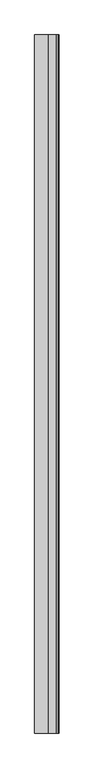
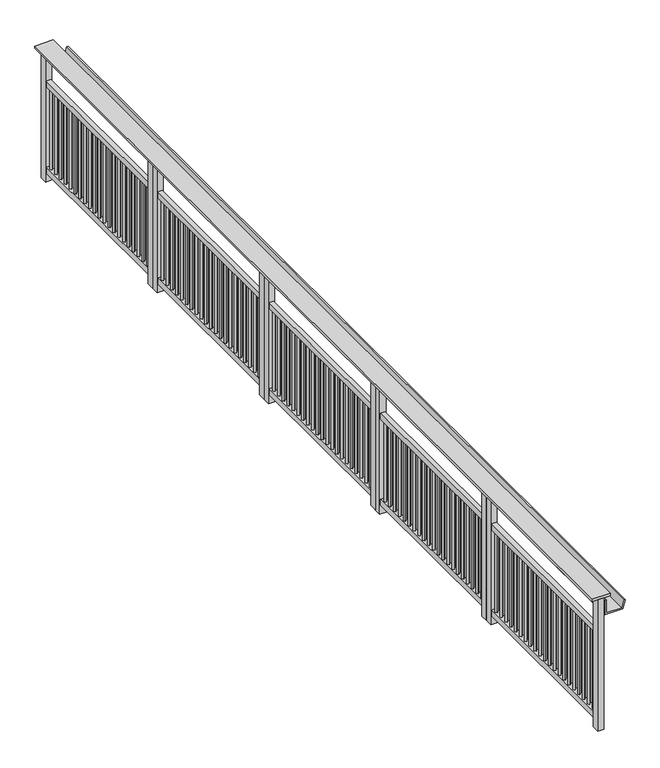
"""IFC4 building model written with IfcOpenShell, lengths in millimetres: railing geometry."""

from ifc_helpers import new_model, si_unit, frame, origin, origin_with_axes, place, context, project, spatial, polyline, outline, extrude, source, transform, mapped, element, save


def railing_9fb504d0(model_context):
    return source(origin(), model_context, "Body", "SweptSolid", [
        extrude(outline(polyline([(-899.4696622, -25760.8033767), (-1019.4696622, -25760.8033767), (-1019.4696622, -19510.8033767), (-899.4696622, -19510.8033767), (-899.4696622, -25760.8033767)])), frame((0.0, 0.0, 899.8828423), z_axis=(0.0, 0.0, 1.0), x_axis=(1.0, 0.0, 0.0)), (0.0, 0.0, 1.0), 15.1171577),
        extrude(outline(polyline([(780.0, -934.4696622), (780.0, -817.2617383), (836.340031, -802.1654725), (838.9282214, -811.8247308), (790.0, -824.9350082), (790.0, -924.4696622), (880.0, -924.4696622), (880.0, -934.4696622), (780.0, -934.4696622)])), frame((0.0, -25760.8033767, 0.0), z_axis=(0.0, 1.0, 0.0), x_axis=(0.0, 0.0, 1.0)), (0.0, 0.0, 1.0), 6250.0),
        extrude(outline(polyline([(-959.4696622, -20690.8026662), (-969.4696622, -20680.8026662), (-959.4696622, -20670.8026662), (-949.4696622, -20680.8026662), (-959.4696622, -20690.8026662)])), frame((0.0, 0.0, 100.0), z_axis=(0.0, 0.0, 1.0), x_axis=(1.0, 0.0, 0.0)), (0.0, 0.0, 1.0), 550.0),
        extrude(outline(polyline([(-959.4696622, -20636.3026662), (-969.4696622, -20626.3026662), (-959.4696622, -20616.3026662), (-949.4696622, -20626.3026662), (-959.4696622, -20636.3026662)])), frame((0.0, 0.0, 100.0), z_axis=(0.0, 0.0, 1.0), x_axis=(1.0, 0.0, 0.0)), (0.0, 0.0, 1.0), 550.0),
        extrude(outline(polyline([(-959.4696622, -20581.8026662), (-969.4696622, -20571.8026662), (-959.4696622, -20561.8026662), (-949.4696622, -20571.8026662), (-959.4696622, -20581.8026662)])), frame((0.0, 0.0, 100.0), z_axis=(0.0, 0.0, 1.0), x_axis=(1.0, 0.0, 0.0)), (0.0, 0.0, 1.0), 550.0),
        extrude(outline(polyline([(-959.4696622, -20527.3026662), (-969.4696622, -20517.3026662), (-959.4696622, -20507.3026662), (-949.4696622, -20517.3026662), (-959.4696622, -20527.3026662)])), frame((0.0, 0.0, 100.0), z_axis=(0.0, 0.0, 1.0), x_axis=(1.0, 0.0, 0.0)), (0.0, 0.0, 1.0), 550.0),
        extrude(outline(polyline([(-959.4696622, -20472.8026662), (-969.4696622, -20462.8026662), (-959.4696622, -20452.8026662), (-949.4696622, -20462.8026662), (-959.4696622, -20472.8026662)])), frame((0.0, 0.0, 100.0), z_axis=(0.0, 0.0, 1.0), x_axis=(1.0, 0.0, 0.0)), (0.0, 0.0, 1.0), 550.0),
        extrude(outline(polyline([(-959.4696622, -20418.3026662), (-969.4696622, -20408.3026662), (-959.4696622, -20398.3026662), (-949.4696622, -20408.3026662), (-959.4696622, -20418.3026662)])), frame((0.0, 0.0, 100.0), z_axis=(0.0, 0.0, 1.0), x_axis=(1.0, 0.0, 0.0)), (0.0, 0.0, 1.0), 550.0),
        extrude(outline(polyline([(-959.4696622, -20363.8026662), (-969.4696622, -20353.8026662), (-959.4696622, -20343.8026662), (-949.4696622, -20353.8026662), (-959.4696622, -20363.8026662)])), frame((0.0, 0.0, 100.0), z_axis=(0.0, 0.0, 1.0), x_axis=(1.0, 0.0, 0.0)), (0.0, 0.0, 1.0), 550.0),
        extrude(outline(polyline([(-959.4696622, -20309.3026662), (-969.4696622, -20299.3026662), (-959.4696622, -20289.3026662), (-949.4696622, -20299.3026662), (-959.4696622, -20309.3026662)])), frame((0.0, 0.0, 100.0), z_axis=(0.0, 0.0, 1.0), x_axis=(1.0, 0.0, 0.0)), (0.0, 0.0, 1.0), 550.0),
        extrude(outline(polyline([(-959.4696622, -20254.8026662), (-969.4696622, -20244.8026662), (-959.4696622, -20234.8026662), (-949.4696622, -20244.8026662), (-959.4696622, -20254.8026662)])), frame((0.0, 0.0, 100.0), z_axis=(0.0, 0.0, 1.0), x_axis=(1.0, 0.0, 0.0)), (0.0, 0.0, 1.0), 550.0),
        extrude(outline(polyline([(-959.4696622, -20200.3026662), (-969.4696622, -20190.3026662), (-959.4696622, -20180.3026662), (-949.4696622, -20190.3026662), (-959.4696622, -20200.3026662)])), frame((0.0, 0.0, 100.0), z_axis=(0.0, 0.0, 1.0), x_axis=(1.0, 0.0, 0.0)), (0.0, 0.0, 1.0), 550.0),
        extrude(outline(polyline([(-959.4696622, -20145.8026662), (-969.4696622, -20135.8026662), (-959.4696622, -20125.8026662), (-949.4696622, -20135.8026662), (-959.4696622, -20145.8026662)])), frame((0.0, 0.0, 100.0), z_axis=(0.0, 0.0, 1.0), x_axis=(1.0, 0.0, 0.0)), (0.0, 0.0, 1.0), 550.0),
        extrude(outline(polyline([(-959.4696622, -20091.3026662), (-969.4696622, -20081.3026662), (-959.4696622, -20071.3026662), (-949.4696622, -20081.3026662), (-959.4696622, -20091.3026662)])), frame((0.0, 0.0, 100.0), z_axis=(0.0, 0.0, 1.0), x_axis=(1.0, 0.0, 0.0)), (0.0, 0.0, 1.0), 550.0),
        extrude(outline(polyline([(-959.4696622, -20036.8026662), (-969.4696622, -20026.8026662), (-959.4696622, -20016.8026662), (-949.4696622, -20026.8026662), (-959.4696622, -20036.8026662)])), frame((0.0, 0.0, 100.0), z_axis=(0.0, 0.0, 1.0), x_axis=(1.0, 0.0, 0.0)), (0.0, 0.0, 1.0), 550.0),
        extrude(outline(polyline([(-959.4696622, -19982.3026662), (-969.4696622, -19972.3026662), (-959.4696622, -19962.3026662), (-949.4696622, -19972.3026662), (-959.4696622, -19982.3026662)])), frame((0.0, 0.0, 100.0), z_axis=(0.0, 0.0, 1.0), x_axis=(1.0, 0.0, 0.0)), (0.0, 0.0, 1.0), 550.0),
        extrude(outline(polyline([(-959.4696622, -19927.8026662), (-969.4696622, -19917.8026662), (-959.4696622, -19907.8026662), (-949.4696622, -19917.8026662), (-959.4696622, -19927.8026662)])), frame((0.0, 0.0, 100.0), z_axis=(0.0, 0.0, 1.0), x_axis=(1.0, 0.0, 0.0)), (0.0, 0.0, 1.0), 550.0),
        extrude(outline(polyline([(-959.4696622, -19873.3026662), (-969.4696622, -19863.3026662), (-959.4696622, -19853.3026662), (-949.4696622, -19863.3026662), (-959.4696622, -19873.3026662)])), frame((0.0, 0.0, 100.0), z_axis=(0.0, 0.0, 1.0), x_axis=(1.0, 0.0, 0.0)), (0.0, 0.0, 1.0), 550.0),
        extrude(outline(polyline([(-959.4696622, -19818.8026662), (-969.4696622, -19808.8026662), (-959.4696622, -19798.8026662), (-949.4696622, -19808.8026662), (-959.4696622, -19818.8026662)])), frame((0.0, 0.0, 100.0), z_axis=(0.0, 0.0, 1.0), x_axis=(1.0, 0.0, 0.0)), (0.0, 0.0, 1.0), 550.0),
        extrude(outline(polyline([(-959.4696622, -19764.3026662), (-969.4696622, -19754.3026662), (-959.4696622, -19744.3026662), (-949.4696622, -19754.3026662), (-959.4696622, -19764.3026662)])), frame((0.0, 0.0, 100.0), z_axis=(0.0, 0.0, 1.0), x_axis=(1.0, 0.0, 0.0)), (0.0, 0.0, 1.0), 550.0),
        extrude(outline(polyline([(-959.4696622, -19709.8026662), (-969.4696622, -19699.8026662), (-959.4696622, -19689.8026662), (-949.4696622, -19699.8026662), (-959.4696622, -19709.8026662)])), frame((0.0, 0.0, 100.0), z_axis=(0.0, 0.0, 1.0), x_axis=(1.0, 0.0, 0.0)), (0.0, 0.0, 1.0), 550.0),
        extrude(outline(polyline([(-959.4696622, -19655.3026662), (-969.4696622, -19645.3026662), (-959.4696622, -19635.3026662), (-949.4696622, -19645.3026662), (-959.4696622, -19655.3026662)])), frame((0.0, 0.0, 100.0), z_axis=(0.0, 0.0, 1.0), x_axis=(1.0, 0.0, 0.0)), (0.0, 0.0, 1.0), 550.0),
        extrude(outline(polyline([(-959.4696622, -19600.8026662), (-969.4696622, -19590.8026662), (-959.4696622, -19580.8026662), (-949.4696622, -19590.8026662), (-959.4696622, -19600.8026662)])), frame((0.0, 0.0, 100.0), z_axis=(0.0, 0.0, 1.0), x_axis=(1.0, 0.0, 0.0)), (0.0, 0.0, 1.0), 550.0),
        extrude(outline(polyline([(-944.4696622, -19560.8033767), (-944.4696622, -20710.8037487), (-974.4696622, -20710.8037487), (-974.4696622, -19560.8033767), (-944.4696622, -19560.8033767)])), frame((0.0, 0.0, 649.9990226), z_axis=(0.0, 0.0, 1.0), x_axis=(1.0, 0.0, 0.0)), (0.0, 0.0, 1.0), 40.0009774),
        extrude(outline(polyline([(-944.4696622, -19560.8033767), (-944.4696622, -20710.8037487), (-974.4696622, -20710.8037487), (-974.4696622, -19560.8033767), (-944.4696622, -19560.8033767)])), frame((0.0, 0.0, 60.0), z_axis=(0.0, 0.0, 1.0), x_axis=(1.0, 0.0, 0.0)), (0.0, 0.0, 1.0), 40.0),
        extrude(outline(polyline([(-939.4696622, -19510.8033767), (-939.4696622, -19560.8033767), (-979.4696622, -19560.8033767), (-979.4696622, -19510.8033767), (-939.4696622, -19510.8033767)])), origin_with_axes(), (0.0, 0.0, 1.0), 900.0),
        extrude(outline(polyline([(-939.4696622, -20710.8030382), (-939.4696622, -20760.8030382), (-979.4696622, -20760.8030382), (-979.4696622, -20710.8030382), (-939.4696622, -20710.8030382)])), origin_with_axes(), (0.0, 0.0, 1.0), 900.0),
        extrude(outline(polyline([(-959.4696622, -21941.8026662), (-969.4696622, -21931.8026662), (-959.4696622, -21921.8026662), (-949.4696622, -21931.8026662), (-959.4696622, -21941.8026662)])), frame((0.0, 0.0, 100.0), z_axis=(0.0, 0.0, 1.0), x_axis=(1.0, 0.0, 0.0)), (0.0, 0.0, 1.0), 550.0),
        extrude(outline(polyline([(-959.4696622, -21887.3026662), (-969.4696622, -21877.3026662), (-959.4696622, -21867.3026662), (-949.4696622, -21877.3026662), (-959.4696622, -21887.3026662)])), frame((0.0, 0.0, 100.0), z_axis=(0.0, 0.0, 1.0), x_axis=(1.0, 0.0, 0.0)), (0.0, 0.0, 1.0), 550.0),
        extrude(outline(polyline([(-959.4696622, -21832.8026662), (-969.4696622, -21822.8026662), (-959.4696622, -21812.8026662), (-949.4696622, -21822.8026662), (-959.4696622, -21832.8026662)])), frame((0.0, 0.0, 100.0), z_axis=(0.0, 0.0, 1.0), x_axis=(1.0, 0.0, 0.0)), (0.0, 0.0, 1.0), 550.0),
        extrude(outline(polyline([(-959.4696622, -21778.3026662), (-969.4696622, -21768.3026662), (-959.4696622, -21758.3026662), (-949.4696622, -21768.3026662), (-959.4696622, -21778.3026662)])), frame((0.0, 0.0, 100.0), z_axis=(0.0, 0.0, 1.0), x_axis=(1.0, 0.0, 0.0)), (0.0, 0.0, 1.0), 550.0),
        extrude(outline(polyline([(-959.4696622, -21723.8026662), (-969.4696622, -21713.8026662), (-959.4696622, -21703.8026662), (-949.4696622, -21713.8026662), (-959.4696622, -21723.8026662)])), frame((0.0, 0.0, 100.0), z_axis=(0.0, 0.0, 1.0), x_axis=(1.0, 0.0, 0.0)), (0.0, 0.0, 1.0), 550.0),
        extrude(outline(polyline([(-959.4696622, -21669.3026662), (-969.4696622, -21659.3026662), (-959.4696622, -21649.3026662), (-949.4696622, -21659.3026662), (-959.4696622, -21669.3026662)])), frame((0.0, 0.0, 100.0), z_axis=(0.0, 0.0, 1.0), x_axis=(1.0, 0.0, 0.0)), (0.0, 0.0, 1.0), 550.0),
        extrude(outline(polyline([(-959.4696622, -21614.8026662), (-969.4696622, -21604.8026662), (-959.4696622, -21594.8026662), (-949.4696622, -21604.8026662), (-959.4696622, -21614.8026662)])), frame((0.0, 0.0, 100.0), z_axis=(0.0, 0.0, 1.0), x_axis=(1.0, 0.0, 0.0)), (0.0, 0.0, 1.0), 550.0),
        extrude(outline(polyline([(-959.4696622, -21560.3026662), (-969.4696622, -21550.3026662), (-959.4696622, -21540.3026662), (-949.4696622, -21550.3026662), (-959.4696622, -21560.3026662)])), frame((0.0, 0.0, 100.0), z_axis=(0.0, 0.0, 1.0), x_axis=(1.0, 0.0, 0.0)), (0.0, 0.0, 1.0), 550.0),
        extrude(outline(polyline([(-959.4696622, -21505.8026662), (-969.4696622, -21495.8026662), (-959.4696622, -21485.8026662), (-949.4696622, -21495.8026662), (-959.4696622, -21505.8026662)])), frame((0.0, 0.0, 100.0), z_axis=(0.0, 0.0, 1.0), x_axis=(1.0, 0.0, 0.0)), (0.0, 0.0, 1.0), 550.0),
        extrude(outline(polyline([(-959.4696622, -21451.3026662), (-969.4696622, -21441.3026662), (-959.4696622, -21431.3026662), (-949.4696622, -21441.3026662), (-959.4696622, -21451.3026662)])), frame((0.0, 0.0, 100.0), z_axis=(0.0, 0.0, 1.0), x_axis=(1.0, 0.0, 0.0)), (0.0, 0.0, 1.0), 550.0),
        extrude(outline(polyline([(-959.4696622, -21396.8026662), (-969.4696622, -21386.8026662), (-959.4696622, -21376.8026662), (-949.4696622, -21386.8026662), (-959.4696622, -21396.8026662)])), frame((0.0, 0.0, 100.0), z_axis=(0.0, 0.0, 1.0), x_axis=(1.0, 0.0, 0.0)), (0.0, 0.0, 1.0), 550.0),
        extrude(outline(polyline([(-959.4696622, -21342.3026662), (-969.4696622, -21332.3026662), (-959.4696622, -21322.3026662), (-949.4696622, -21332.3026662), (-959.4696622, -21342.3026662)])), frame((0.0, 0.0, 100.0), z_axis=(0.0, 0.0, 1.0), x_axis=(1.0, 0.0, 0.0)), (0.0, 0.0, 1.0), 550.0),
        extrude(outline(polyline([(-959.4696622, -21287.8026662), (-969.4696622, -21277.8026662), (-959.4696622, -21267.8026662), (-949.4696622, -21277.8026662), (-959.4696622, -21287.8026662)])), frame((0.0, 0.0, 100.0), z_axis=(0.0, 0.0, 1.0), x_axis=(1.0, 0.0, 0.0)), (0.0, 0.0, 1.0), 550.0),
        extrude(outline(polyline([(-959.4696622, -21233.3026662), (-969.4696622, -21223.3026662), (-959.4696622, -21213.3026662), (-949.4696622, -21223.3026662), (-959.4696622, -21233.3026662)])), frame((0.0, 0.0, 100.0), z_axis=(0.0, 0.0, 1.0), x_axis=(1.0, 0.0, 0.0)), (0.0, 0.0, 1.0), 550.0),
        extrude(outline(polyline([(-959.4696622, -21178.8026662), (-969.4696622, -21168.8026662), (-959.4696622, -21158.8026662), (-949.4696622, -21168.8026662), (-959.4696622, -21178.8026662)])), frame((0.0, 0.0, 100.0), z_axis=(0.0, 0.0, 1.0), x_axis=(1.0, 0.0, 0.0)), (0.0, 0.0, 1.0), 550.0),
        extrude(outline(polyline([(-959.4696622, -21124.3026662), (-969.4696622, -21114.3026662), (-959.4696622, -21104.3026662), (-949.4696622, -21114.3026662), (-959.4696622, -21124.3026662)])), frame((0.0, 0.0, 100.0), z_axis=(0.0, 0.0, 1.0), x_axis=(1.0, 0.0, 0.0)), (0.0, 0.0, 1.0), 550.0),
        extrude(outline(polyline([(-959.4696622, -21069.8026662), (-969.4696622, -21059.8026662), (-959.4696622, -21049.8026662), (-949.4696622, -21059.8026662), (-959.4696622, -21069.8026662)])), frame((0.0, 0.0, 100.0), z_axis=(0.0, 0.0, 1.0), x_axis=(1.0, 0.0, 0.0)), (0.0, 0.0, 1.0), 550.0),
        extrude(outline(polyline([(-959.4696622, -21015.3026662), (-969.4696622, -21005.3026662), (-959.4696622, -20995.3026662), (-949.4696622, -21005.3026662), (-959.4696622, -21015.3026662)])), frame((0.0, 0.0, 100.0), z_axis=(0.0, 0.0, 1.0), x_axis=(1.0, 0.0, 0.0)), (0.0, 0.0, 1.0), 550.0),
        extrude(outline(polyline([(-959.4696622, -20960.8026662), (-969.4696622, -20950.8026662), (-959.4696622, -20940.8026662), (-949.4696622, -20950.8026662), (-959.4696622, -20960.8026662)])), frame((0.0, 0.0, 100.0), z_axis=(0.0, 0.0, 1.0), x_axis=(1.0, 0.0, 0.0)), (0.0, 0.0, 1.0), 550.0),
        extrude(outline(polyline([(-959.4696622, -20906.3026662), (-969.4696622, -20896.3026662), (-959.4696622, -20886.3026662), (-949.4696622, -20896.3026662), (-959.4696622, -20906.3026662)])), frame((0.0, 0.0, 100.0), z_axis=(0.0, 0.0, 1.0), x_axis=(1.0, 0.0, 0.0)), (0.0, 0.0, 1.0), 550.0),
        extrude(outline(polyline([(-959.4696622, -20851.8026662), (-969.4696622, -20841.8026662), (-959.4696622, -20831.8026662), (-949.4696622, -20841.8026662), (-959.4696622, -20851.8026662)])), frame((0.0, 0.0, 100.0), z_axis=(0.0, 0.0, 1.0), x_axis=(1.0, 0.0, 0.0)), (0.0, 0.0, 1.0), 550.0),
        extrude(outline(polyline([(-944.4696622, -20811.8033767), (-944.4696622, -21961.8037487), (-974.4696622, -21961.8037487), (-974.4696622, -20811.8033767), (-944.4696622, -20811.8033767)])), frame((0.0, 0.0, 649.9990226), z_axis=(0.0, 0.0, 1.0), x_axis=(1.0, 0.0, 0.0)), (0.0, 0.0, 1.0), 40.0009774),
        extrude(outline(polyline([(-944.4696622, -20811.8033767), (-944.4696622, -21961.8037487), (-974.4696622, -21961.8037487), (-974.4696622, -20811.8033767), (-944.4696622, -20811.8033767)])), frame((0.0, 0.0, 60.0), z_axis=(0.0, 0.0, 1.0), x_axis=(1.0, 0.0, 0.0)), (0.0, 0.0, 1.0), 40.0),
        extrude(outline(polyline([(-939.4696622, -20761.8033767), (-939.4696622, -20811.8033767), (-979.4696622, -20811.8033767), (-979.4696622, -20761.8033767), (-939.4696622, -20761.8033767)])), origin_with_axes(), (0.0, 0.0, 1.0), 900.0),
        extrude(outline(polyline([(-939.4696622, -21961.8030382), (-939.4696622, -22011.8030382), (-979.4696622, -22011.8030382), (-979.4696622, -21961.8030382), (-939.4696622, -21961.8030382)])), origin_with_axes(), (0.0, 0.0, 1.0), 900.0),
        extrude(outline(polyline([(-959.4696622, -23192.8026662), (-969.4696622, -23182.8026662), (-959.4696622, -23172.8026662), (-949.4696622, -23182.8026662), (-959.4696622, -23192.8026662)])), frame((0.0, 0.0, 100.0), z_axis=(0.0, 0.0, 1.0), x_axis=(1.0, 0.0, 0.0)), (0.0, 0.0, 1.0), 550.0),
        extrude(outline(polyline([(-959.4696622, -23138.3026662), (-969.4696622, -23128.3026662), (-959.4696622, -23118.3026662), (-949.4696622, -23128.3026662), (-959.4696622, -23138.3026662)])), frame((0.0, 0.0, 100.0), z_axis=(0.0, 0.0, 1.0), x_axis=(1.0, 0.0, 0.0)), (0.0, 0.0, 1.0), 550.0),
        extrude(outline(polyline([(-959.4696622, -23083.8026662), (-969.4696622, -23073.8026662), (-959.4696622, -23063.8026662), (-949.4696622, -23073.8026662), (-959.4696622, -23083.8026662)])), frame((0.0, 0.0, 100.0), z_axis=(0.0, 0.0, 1.0), x_axis=(1.0, 0.0, 0.0)), (0.0, 0.0, 1.0), 550.0),
        extrude(outline(polyline([(-959.4696622, -23029.3026662), (-969.4696622, -23019.3026662), (-959.4696622, -23009.3026662), (-949.4696622, -23019.3026662), (-959.4696622, -23029.3026662)])), frame((0.0, 0.0, 100.0), z_axis=(0.0, 0.0, 1.0), x_axis=(1.0, 0.0, 0.0)), (0.0, 0.0, 1.0), 550.0),
        extrude(outline(polyline([(-959.4696622, -22974.8026662), (-969.4696622, -22964.8026662), (-959.4696622, -22954.8026662), (-949.4696622, -22964.8026662), (-959.4696622, -22974.8026662)])), frame((0.0, 0.0, 100.0), z_axis=(0.0, 0.0, 1.0), x_axis=(1.0, 0.0, 0.0)), (0.0, 0.0, 1.0), 550.0),
        extrude(outline(polyline([(-959.4696622, -22920.3026662), (-969.4696622, -22910.3026662), (-959.4696622, -22900.3026662), (-949.4696622, -22910.3026662), (-959.4696622, -22920.3026662)])), frame((0.0, 0.0, 100.0), z_axis=(0.0, 0.0, 1.0), x_axis=(1.0, 0.0, 0.0)), (0.0, 0.0, 1.0), 550.0),
        extrude(outline(polyline([(-959.4696622, -22865.8026662), (-969.4696622, -22855.8026662), (-959.4696622, -22845.8026662), (-949.4696622, -22855.8026662), (-959.4696622, -22865.8026662)])), frame((0.0, 0.0, 100.0), z_axis=(0.0, 0.0, 1.0), x_axis=(1.0, 0.0, 0.0)), (0.0, 0.0, 1.0), 550.0),
        extrude(outline(polyline([(-959.4696622, -22811.3026662), (-969.4696622, -22801.3026662), (-959.4696622, -22791.3026662), (-949.4696622, -22801.3026662), (-959.4696622, -22811.3026662)])), frame((0.0, 0.0, 100.0), z_axis=(0.0, 0.0, 1.0), x_axis=(1.0, 0.0, 0.0)), (0.0, 0.0, 1.0), 550.0),
        extrude(outline(polyline([(-959.4696622, -22756.8026662), (-969.4696622, -22746.8026662), (-959.4696622, -22736.8026662), (-949.4696622, -22746.8026662), (-959.4696622, -22756.8026662)])), frame((0.0, 0.0, 100.0), z_axis=(0.0, 0.0, 1.0), x_axis=(1.0, 0.0, 0.0)), (0.0, 0.0, 1.0), 550.0),
        extrude(outline(polyline([(-959.4696622, -22702.3026662), (-969.4696622, -22692.3026662), (-959.4696622, -22682.3026662), (-949.4696622, -22692.3026662), (-959.4696622, -22702.3026662)])), frame((0.0, 0.0, 100.0), z_axis=(0.0, 0.0, 1.0), x_axis=(1.0, 0.0, 0.0)), (0.0, 0.0, 1.0), 550.0),
        extrude(outline(polyline([(-959.4696622, -22647.8026662), (-969.4696622, -22637.8026662), (-959.4696622, -22627.8026662), (-949.4696622, -22637.8026662), (-959.4696622, -22647.8026662)])), frame((0.0, 0.0, 100.0), z_axis=(0.0, 0.0, 1.0), x_axis=(1.0, 0.0, 0.0)), (0.0, 0.0, 1.0), 550.0),
        extrude(outline(polyline([(-959.4696622, -22593.3026662), (-969.4696622, -22583.3026662), (-959.4696622, -22573.3026662), (-949.4696622, -22583.3026662), (-959.4696622, -22593.3026662)])), frame((0.0, 0.0, 100.0), z_axis=(0.0, 0.0, 1.0), x_axis=(1.0, 0.0, 0.0)), (0.0, 0.0, 1.0), 550.0),
        extrude(outline(polyline([(-959.4696622, -22538.8026662), (-969.4696622, -22528.8026662), (-959.4696622, -22518.8026662), (-949.4696622, -22528.8026662), (-959.4696622, -22538.8026662)])), frame((0.0, 0.0, 100.0), z_axis=(0.0, 0.0, 1.0), x_axis=(1.0, 0.0, 0.0)), (0.0, 0.0, 1.0), 550.0),
        extrude(outline(polyline([(-959.4696622, -22484.3026662), (-969.4696622, -22474.3026662), (-959.4696622, -22464.3026662), (-949.4696622, -22474.3026662), (-959.4696622, -22484.3026662)])), frame((0.0, 0.0, 100.0), z_axis=(0.0, 0.0, 1.0), x_axis=(1.0, 0.0, 0.0)), (0.0, 0.0, 1.0), 550.0),
        extrude(outline(polyline([(-959.4696622, -22429.8026662), (-969.4696622, -22419.8026662), (-959.4696622, -22409.8026662), (-949.4696622, -22419.8026662), (-959.4696622, -22429.8026662)])), frame((0.0, 0.0, 100.0), z_axis=(0.0, 0.0, 1.0), x_axis=(1.0, 0.0, 0.0)), (0.0, 0.0, 1.0), 550.0),
        extrude(outline(polyline([(-959.4696622, -22375.3026662), (-969.4696622, -22365.3026662), (-959.4696622, -22355.3026662), (-949.4696622, -22365.3026662), (-959.4696622, -22375.3026662)])), frame((0.0, 0.0, 100.0), z_axis=(0.0, 0.0, 1.0), x_axis=(1.0, 0.0, 0.0)), (0.0, 0.0, 1.0), 550.0),
        extrude(outline(polyline([(-959.4696622, -22320.8026662), (-969.4696622, -22310.8026662), (-959.4696622, -22300.8026662), (-949.4696622, -22310.8026662), (-959.4696622, -22320.8026662)])), frame((0.0, 0.0, 100.0), z_axis=(0.0, 0.0, 1.0), x_axis=(1.0, 0.0, 0.0)), (0.0, 0.0, 1.0), 550.0),
        extrude(outline(polyline([(-959.4696622, -22266.3026662), (-969.4696622, -22256.3026662), (-959.4696622, -22246.3026662), (-949.4696622, -22256.3026662), (-959.4696622, -22266.3026662)])), frame((0.0, 0.0, 100.0), z_axis=(0.0, 0.0, 1.0), x_axis=(1.0, 0.0, 0.0)), (0.0, 0.0, 1.0), 550.0),
        extrude(outline(polyline([(-959.4696622, -22211.8026662), (-969.4696622, -22201.8026662), (-959.4696622, -22191.8026662), (-949.4696622, -22201.8026662), (-959.4696622, -22211.8026662)])), frame((0.0, 0.0, 100.0), z_axis=(0.0, 0.0, 1.0), x_axis=(1.0, 0.0, 0.0)), (0.0, 0.0, 1.0), 550.0),
        extrude(outline(polyline([(-959.4696622, -22157.3026662), (-969.4696622, -22147.3026662), (-959.4696622, -22137.3026662), (-949.4696622, -22147.3026662), (-959.4696622, -22157.3026662)])), frame((0.0, 0.0, 100.0), z_axis=(0.0, 0.0, 1.0), x_axis=(1.0, 0.0, 0.0)), (0.0, 0.0, 1.0), 550.0),
        extrude(outline(polyline([(-959.4696622, -22102.8026662), (-969.4696622, -22092.8026662), (-959.4696622, -22082.8026662), (-949.4696622, -22092.8026662), (-959.4696622, -22102.8026662)])), frame((0.0, 0.0, 100.0), z_axis=(0.0, 0.0, 1.0), x_axis=(1.0, 0.0, 0.0)), (0.0, 0.0, 1.0), 550.0),
        extrude(outline(polyline([(-944.4696622, -22062.8033767), (-944.4696622, -23212.8037487), (-974.4696622, -23212.8037487), (-974.4696622, -22062.8033767), (-944.4696622, -22062.8033767)])), frame((0.0, 0.0, 649.9990226), z_axis=(0.0, 0.0, 1.0), x_axis=(1.0, 0.0, 0.0)), (0.0, 0.0, 1.0), 40.0009774),
        extrude(outline(polyline([(-944.4696622, -22062.8033767), (-944.4696622, -23212.8037487), (-974.4696622, -23212.8037487), (-974.4696622, -22062.8033767), (-944.4696622, -22062.8033767)])), frame((0.0, 0.0, 60.0), z_axis=(0.0, 0.0, 1.0), x_axis=(1.0, 0.0, 0.0)), (0.0, 0.0, 1.0), 40.0),
        extrude(outline(polyline([(-939.4696622, -22012.8033767), (-939.4696622, -22062.8033767), (-979.4696622, -22062.8033767), (-979.4696622, -22012.8033767), (-939.4696622, -22012.8033767)])), origin_with_axes(), (0.0, 0.0, 1.0), 900.0),
        extrude(outline(polyline([(-939.4696622, -23212.8030382), (-939.4696622, -23262.8030382), (-979.4696622, -23262.8030382), (-979.4696622, -23212.8030382), (-939.4696622, -23212.8030382)])), origin_with_axes(), (0.0, 0.0, 1.0), 900.0),
        extrude(outline(polyline([(-959.4696622, -24441.8028355), (-969.4696622, -24431.8028355), (-959.4696622, -24421.8028355), (-949.4696622, -24431.8028355), (-959.4696622, -24441.8028355)])), frame((0.0, 0.0, 100.0), z_axis=(0.0, 0.0, 1.0), x_axis=(1.0, 0.0, 0.0)), (0.0, 0.0, 1.0), 550.0),
        extrude(outline(polyline([(-959.4696622, -24387.3028355), (-969.4696622, -24377.3028355), (-959.4696622, -24367.3028355), (-949.4696622, -24377.3028355), (-959.4696622, -24387.3028355)])), frame((0.0, 0.0, 100.0), z_axis=(0.0, 0.0, 1.0), x_axis=(1.0, 0.0, 0.0)), (0.0, 0.0, 1.0), 550.0),
        extrude(outline(polyline([(-959.4696622, -24332.8028355), (-969.4696622, -24322.8028355), (-959.4696622, -24312.8028355), (-949.4696622, -24322.8028355), (-959.4696622, -24332.8028355)])), frame((0.0, 0.0, 100.0), z_axis=(0.0, 0.0, 1.0), x_axis=(1.0, 0.0, 0.0)), (0.0, 0.0, 1.0), 550.0),
        extrude(outline(polyline([(-959.4696622, -24278.3028355), (-969.4696622, -24268.3028355), (-959.4696622, -24258.3028355), (-949.4696622, -24268.3028355), (-959.4696622, -24278.3028355)])), frame((0.0, 0.0, 100.0), z_axis=(0.0, 0.0, 1.0), x_axis=(1.0, 0.0, 0.0)), (0.0, 0.0, 1.0), 550.0),
        extrude(outline(polyline([(-959.4696622, -24223.8028355), (-969.4696622, -24213.8028355), (-959.4696622, -24203.8028355), (-949.4696622, -24213.8028355), (-959.4696622, -24223.8028355)])), frame((0.0, 0.0, 100.0), z_axis=(0.0, 0.0, 1.0), x_axis=(1.0, 0.0, 0.0)), (0.0, 0.0, 1.0), 550.0),
        extrude(outline(polyline([(-959.4696622, -24169.3028355), (-969.4696622, -24159.3028355), (-959.4696622, -24149.3028355), (-949.4696622, -24159.3028355), (-959.4696622, -24169.3028355)])), frame((0.0, 0.0, 100.0), z_axis=(0.0, 0.0, 1.0), x_axis=(1.0, 0.0, 0.0)), (0.0, 0.0, 1.0), 550.0),
        extrude(outline(polyline([(-959.4696622, -24114.8028355), (-969.4696622, -24104.8028355), (-959.4696622, -24094.8028355), (-949.4696622, -24104.8028355), (-959.4696622, -24114.8028355)])), frame((0.0, 0.0, 100.0), z_axis=(0.0, 0.0, 1.0), x_axis=(1.0, 0.0, 0.0)), (0.0, 0.0, 1.0), 550.0),
        extrude(outline(polyline([(-959.4696622, -24060.3028355), (-969.4696622, -24050.3028355), (-959.4696622, -24040.3028355), (-949.4696622, -24050.3028355), (-959.4696622, -24060.3028355)])), frame((0.0, 0.0, 100.0), z_axis=(0.0, 0.0, 1.0), x_axis=(1.0, 0.0, 0.0)), (0.0, 0.0, 1.0), 550.0),
        extrude(outline(polyline([(-959.4696622, -24005.8028355), (-969.4696622, -23995.8028355), (-959.4696622, -23985.8028355), (-949.4696622, -23995.8028355), (-959.4696622, -24005.8028355)])), frame((0.0, 0.0, 100.0), z_axis=(0.0, 0.0, 1.0), x_axis=(1.0, 0.0, 0.0)), (0.0, 0.0, 1.0), 550.0),
        extrude(outline(polyline([(-959.4696622, -23951.3028355), (-969.4696622, -23941.3028355), (-959.4696622, -23931.3028355), (-949.4696622, -23941.3028355), (-959.4696622, -23951.3028355)])), frame((0.0, 0.0, 100.0), z_axis=(0.0, 0.0, 1.0), x_axis=(1.0, 0.0, 0.0)), (0.0, 0.0, 1.0), 550.0),
        extrude(outline(polyline([(-959.4696622, -23896.8028355), (-969.4696622, -23886.8028355), (-959.4696622, -23876.8028355), (-949.4696622, -23886.8028355), (-959.4696622, -23896.8028355)])), frame((0.0, 0.0, 100.0), z_axis=(0.0, 0.0, 1.0), x_axis=(1.0, 0.0, 0.0)), (0.0, 0.0, 1.0), 550.0),
        extrude(outline(polyline([(-959.4696622, -23842.3028355), (-969.4696622, -23832.3028355), (-959.4696622, -23822.3028355), (-949.4696622, -23832.3028355), (-959.4696622, -23842.3028355)])), frame((0.0, 0.0, 100.0), z_axis=(0.0, 0.0, 1.0), x_axis=(1.0, 0.0, 0.0)), (0.0, 0.0, 1.0), 550.0),
        extrude(outline(polyline([(-959.4696622, -23787.8028355), (-969.4696622, -23777.8028355), (-959.4696622, -23767.8028355), (-949.4696622, -23777.8028355), (-959.4696622, -23787.8028355)])), frame((0.0, 0.0, 100.0), z_axis=(0.0, 0.0, 1.0), x_axis=(1.0, 0.0, 0.0)), (0.0, 0.0, 1.0), 550.0),
        extrude(outline(polyline([(-959.4696622, -23733.3028355), (-969.4696622, -23723.3028355), (-959.4696622, -23713.3028355), (-949.4696622, -23723.3028355), (-959.4696622, -23733.3028355)])), frame((0.0, 0.0, 100.0), z_axis=(0.0, 0.0, 1.0), x_axis=(1.0, 0.0, 0.0)), (0.0, 0.0, 1.0), 550.0),
        extrude(outline(polyline([(-959.4696622, -23678.8028355), (-969.4696622, -23668.8028355), (-959.4696622, -23658.8028355), (-949.4696622, -23668.8028355), (-959.4696622, -23678.8028355)])), frame((0.0, 0.0, 100.0), z_axis=(0.0, 0.0, 1.0), x_axis=(1.0, 0.0, 0.0)), (0.0, 0.0, 1.0), 550.0),
        extrude(outline(polyline([(-959.4696622, -23624.3028355), (-969.4696622, -23614.3028355), (-959.4696622, -23604.3028355), (-949.4696622, -23614.3028355), (-959.4696622, -23624.3028355)])), frame((0.0, 0.0, 100.0), z_axis=(0.0, 0.0, 1.0), x_axis=(1.0, 0.0, 0.0)), (0.0, 0.0, 1.0), 550.0),
        extrude(outline(polyline([(-959.4696622, -23569.8028355), (-969.4696622, -23559.8028355), (-959.4696622, -23549.8028355), (-949.4696622, -23559.8028355), (-959.4696622, -23569.8028355)])), frame((0.0, 0.0, 100.0), z_axis=(0.0, 0.0, 1.0), x_axis=(1.0, 0.0, 0.0)), (0.0, 0.0, 1.0), 550.0),
        extrude(outline(polyline([(-959.4696622, -23515.3028355), (-969.4696622, -23505.3028355), (-959.4696622, -23495.3028355), (-949.4696622, -23505.3028355), (-959.4696622, -23515.3028355)])), frame((0.0, 0.0, 100.0), z_axis=(0.0, 0.0, 1.0), x_axis=(1.0, 0.0, 0.0)), (0.0, 0.0, 1.0), 550.0),
        extrude(outline(polyline([(-959.4696622, -23460.8028355), (-969.4696622, -23450.8028355), (-959.4696622, -23440.8028355), (-949.4696622, -23450.8028355), (-959.4696622, -23460.8028355)])), frame((0.0, 0.0, 100.0), z_axis=(0.0, 0.0, 1.0), x_axis=(1.0, 0.0, 0.0)), (0.0, 0.0, 1.0), 550.0),
        extrude(outline(polyline([(-959.4696622, -23406.3028355), (-969.4696622, -23396.3028355), (-959.4696622, -23386.3028355), (-949.4696622, -23396.3028355), (-959.4696622, -23406.3028355)])), frame((0.0, 0.0, 100.0), z_axis=(0.0, 0.0, 1.0), x_axis=(1.0, 0.0, 0.0)), (0.0, 0.0, 1.0), 550.0),
        extrude(outline(polyline([(-959.4696622, -23351.8028355), (-969.4696622, -23341.8028355), (-959.4696622, -23331.8028355), (-949.4696622, -23341.8028355), (-959.4696622, -23351.8028355)])), frame((0.0, 0.0, 100.0), z_axis=(0.0, 0.0, 1.0), x_axis=(1.0, 0.0, 0.0)), (0.0, 0.0, 1.0), 550.0),
        extrude(outline(polyline([(-944.4696622, -23311.8035459), (-944.4696622, -24461.8039179), (-974.4696622, -24461.8039179), (-974.4696622, -23311.8035459), (-944.4696622, -23311.8035459)])), frame((0.0, 0.0, 649.9990226), z_axis=(0.0, 0.0, 1.0), x_axis=(1.0, 0.0, 0.0)), (0.0, 0.0, 1.0), 40.0009774),
        extrude(outline(polyline([(-944.4696622, -23311.8035459), (-944.4696622, -24461.8039179), (-974.4696622, -24461.8039179), (-974.4696622, -23311.8035459), (-944.4696622, -23311.8035459)])), frame((0.0, 0.0, 60.0), z_axis=(0.0, 0.0, 1.0), x_axis=(1.0, 0.0, 0.0)), (0.0, 0.0, 1.0), 40.0),
        extrude(outline(polyline([(-939.4696622, -23261.8035459), (-939.4696622, -23311.8035459), (-979.4696622, -23311.8035459), (-979.4696622, -23261.8035459), (-939.4696622, -23261.8035459)])), origin_with_axes(), (0.0, 0.0, 1.0), 900.0),
        extrude(outline(polyline([(-939.4696622, -24461.8032074), (-939.4696622, -24511.8032074), (-979.4696622, -24511.8032074), (-979.4696622, -24461.8032074), (-939.4696622, -24461.8032074)])), origin_with_axes(), (0.0, 0.0, 1.0), 900.0),
        extrude(outline(polyline([(-959.4696622, -25690.8030047), (-969.4696622, -25680.8030047), (-959.4696622, -25670.8030047), (-949.4696622, -25680.8030047), (-959.4696622, -25690.8030047)])), frame((0.0, 0.0, 100.0), z_axis=(0.0, 0.0, 1.0), x_axis=(1.0, 0.0, 0.0)), (0.0, 0.0, 1.0), 550.0),
        extrude(outline(polyline([(-959.4696622, -25636.3030047), (-969.4696622, -25626.3030047), (-959.4696622, -25616.3030047), (-949.4696622, -25626.3030047), (-959.4696622, -25636.3030047)])), frame((0.0, 0.0, 100.0), z_axis=(0.0, 0.0, 1.0), x_axis=(1.0, 0.0, 0.0)), (0.0, 0.0, 1.0), 550.0),
        extrude(outline(polyline([(-959.4696622, -25581.8030047), (-969.4696622, -25571.8030047), (-959.4696622, -25561.8030047), (-949.4696622, -25571.8030047), (-959.4696622, -25581.8030047)])), frame((0.0, 0.0, 100.0), z_axis=(0.0, 0.0, 1.0), x_axis=(1.0, 0.0, 0.0)), (0.0, 0.0, 1.0), 550.0),
        extrude(outline(polyline([(-959.4696622, -25527.3030047), (-969.4696622, -25517.3030047), (-959.4696622, -25507.3030047), (-949.4696622, -25517.3030047), (-959.4696622, -25527.3030047)])), frame((0.0, 0.0, 100.0), z_axis=(0.0, 0.0, 1.0), x_axis=(1.0, 0.0, 0.0)), (0.0, 0.0, 1.0), 550.0),
        extrude(outline(polyline([(-959.4696622, -25472.8030047), (-969.4696622, -25462.8030047), (-959.4696622, -25452.8030047), (-949.4696622, -25462.8030047), (-959.4696622, -25472.8030047)])), frame((0.0, 0.0, 100.0), z_axis=(0.0, 0.0, 1.0), x_axis=(1.0, 0.0, 0.0)), (0.0, 0.0, 1.0), 550.0),
        extrude(outline(polyline([(-959.4696622, -25418.3030047), (-969.4696622, -25408.3030047), (-959.4696622, -25398.3030047), (-949.4696622, -25408.3030047), (-959.4696622, -25418.3030047)])), frame((0.0, 0.0, 100.0), z_axis=(0.0, 0.0, 1.0), x_axis=(1.0, 0.0, 0.0)), (0.0, 0.0, 1.0), 550.0),
        extrude(outline(polyline([(-959.4696622, -25363.8030047), (-969.4696622, -25353.8030047), (-959.4696622, -25343.8030047), (-949.4696622, -25353.8030047), (-959.4696622, -25363.8030047)])), frame((0.0, 0.0, 100.0), z_axis=(0.0, 0.0, 1.0), x_axis=(1.0, 0.0, 0.0)), (0.0, 0.0, 1.0), 550.0),
        extrude(outline(polyline([(-959.4696622, -25309.3030047), (-969.4696622, -25299.3030047), (-959.4696622, -25289.3030047), (-949.4696622, -25299.3030047), (-959.4696622, -25309.3030047)])), frame((0.0, 0.0, 100.0), z_axis=(0.0, 0.0, 1.0), x_axis=(1.0, 0.0, 0.0)), (0.0, 0.0, 1.0), 550.0),
        extrude(outline(polyline([(-959.4696622, -25254.8030047), (-969.4696622, -25244.8030047), (-959.4696622, -25234.8030047), (-949.4696622, -25244.8030047), (-959.4696622, -25254.8030047)])), frame((0.0, 0.0, 100.0), z_axis=(0.0, 0.0, 1.0), x_axis=(1.0, 0.0, 0.0)), (0.0, 0.0, 1.0), 550.0),
        extrude(outline(polyline([(-959.4696622, -25200.3030047), (-969.4696622, -25190.3030047), (-959.4696622, -25180.3030047), (-949.4696622, -25190.3030047), (-959.4696622, -25200.3030047)])), frame((0.0, 0.0, 100.0), z_axis=(0.0, 0.0, 1.0), x_axis=(1.0, 0.0, 0.0)), (0.0, 0.0, 1.0), 550.0),
        extrude(outline(polyline([(-959.4696622, -25145.8030047), (-969.4696622, -25135.8030047), (-959.4696622, -25125.8030047), (-949.4696622, -25135.8030047), (-959.4696622, -25145.8030047)])), frame((0.0, 0.0, 100.0), z_axis=(0.0, 0.0, 1.0), x_axis=(1.0, 0.0, 0.0)), (0.0, 0.0, 1.0), 550.0),
        extrude(outline(polyline([(-959.4696622, -25091.3030047), (-969.4696622, -25081.3030047), (-959.4696622, -25071.3030047), (-949.4696622, -25081.3030047), (-959.4696622, -25091.3030047)])), frame((0.0, 0.0, 100.0), z_axis=(0.0, 0.0, 1.0), x_axis=(1.0, 0.0, 0.0)), (0.0, 0.0, 1.0), 550.0),
        extrude(outline(polyline([(-959.4696622, -25036.8030047), (-969.4696622, -25026.8030047), (-959.4696622, -25016.8030047), (-949.4696622, -25026.8030047), (-959.4696622, -25036.8030047)])), frame((0.0, 0.0, 100.0), z_axis=(0.0, 0.0, 1.0), x_axis=(1.0, 0.0, 0.0)), (0.0, 0.0, 1.0), 550.0),
        extrude(outline(polyline([(-959.4696622, -24982.3030047), (-969.4696622, -24972.3030047), (-959.4696622, -24962.3030047), (-949.4696622, -24972.3030047), (-959.4696622, -24982.3030047)])), frame((0.0, 0.0, 100.0), z_axis=(0.0, 0.0, 1.0), x_axis=(1.0, 0.0, 0.0)), (0.0, 0.0, 1.0), 550.0),
        extrude(outline(polyline([(-959.4696622, -24927.8030047), (-969.4696622, -24917.8030047), (-959.4696622, -24907.8030047), (-949.4696622, -24917.8030047), (-959.4696622, -24927.8030047)])), frame((0.0, 0.0, 100.0), z_axis=(0.0, 0.0, 1.0), x_axis=(1.0, 0.0, 0.0)), (0.0, 0.0, 1.0), 550.0),
        extrude(outline(polyline([(-959.4696622, -24873.3030047), (-969.4696622, -24863.3030047), (-959.4696622, -24853.3030047), (-949.4696622, -24863.3030047), (-959.4696622, -24873.3030047)])), frame((0.0, 0.0, 100.0), z_axis=(0.0, 0.0, 1.0), x_axis=(1.0, 0.0, 0.0)), (0.0, 0.0, 1.0), 550.0),
        extrude(outline(polyline([(-959.4696622, -24818.8030047), (-969.4696622, -24808.8030047), (-959.4696622, -24798.8030047), (-949.4696622, -24808.8030047), (-959.4696622, -24818.8030047)])), frame((0.0, 0.0, 100.0), z_axis=(0.0, 0.0, 1.0), x_axis=(1.0, 0.0, 0.0)), (0.0, 0.0, 1.0), 550.0),
        extrude(outline(polyline([(-959.4696622, -24764.3030047), (-969.4696622, -24754.3030047), (-959.4696622, -24744.3030047), (-949.4696622, -24754.3030047), (-959.4696622, -24764.3030047)])), frame((0.0, 0.0, 100.0), z_axis=(0.0, 0.0, 1.0), x_axis=(1.0, 0.0, 0.0)), (0.0, 0.0, 1.0), 550.0),
        extrude(outline(polyline([(-959.4696622, -24709.8030047), (-969.4696622, -24699.8030047), (-959.4696622, -24689.8030047), (-949.4696622, -24699.8030047), (-959.4696622, -24709.8030047)])), frame((0.0, 0.0, 100.0), z_axis=(0.0, 0.0, 1.0), x_axis=(1.0, 0.0, 0.0)), (0.0, 0.0, 1.0), 550.0),
        extrude(outline(polyline([(-959.4696622, -24655.3030047), (-969.4696622, -24645.3030047), (-959.4696622, -24635.3030047), (-949.4696622, -24645.3030047), (-959.4696622, -24655.3030047)])), frame((0.0, 0.0, 100.0), z_axis=(0.0, 0.0, 1.0), x_axis=(1.0, 0.0, 0.0)), (0.0, 0.0, 1.0), 550.0),
        extrude(outline(polyline([(-959.4696622, -24600.8030047), (-969.4696622, -24590.8030047), (-959.4696622, -24580.8030047), (-949.4696622, -24590.8030047), (-959.4696622, -24600.8030047)])), frame((0.0, 0.0, 100.0), z_axis=(0.0, 0.0, 1.0), x_axis=(1.0, 0.0, 0.0)), (0.0, 0.0, 1.0), 550.0),
        extrude(outline(polyline([(-944.4696622, -24560.8037152), (-944.4696622, -25710.8040871), (-974.4696622, -25710.8040871), (-974.4696622, -24560.8037152), (-944.4696622, -24560.8037152)])), frame((0.0, 0.0, 649.9990226), z_axis=(0.0, 0.0, 1.0), x_axis=(1.0, 0.0, 0.0)), (0.0, 0.0, 1.0), 40.0009774),
        extrude(outline(polyline([(-944.4696622, -24560.8037152), (-944.4696622, -25710.8040871), (-974.4696622, -25710.8040871), (-974.4696622, -24560.8037152), (-944.4696622, -24560.8037152)])), frame((0.0, 0.0, 60.0), z_axis=(0.0, 0.0, 1.0), x_axis=(1.0, 0.0, 0.0)), (0.0, 0.0, 1.0), 40.0),
        extrude(outline(polyline([(-939.4696622, -24510.8037152), (-939.4696622, -24560.8037152), (-979.4696622, -24560.8037152), (-979.4696622, -24510.8037152), (-939.4696622, -24510.8037152)])), origin_with_axes(), (0.0, 0.0, 1.0), 900.0),
        extrude(outline(polyline([(-939.4696622, -25710.8033767), (-939.4696622, -25760.8033767), (-979.4696622, -25760.8033767), (-979.4696622, -25710.8033767), (-939.4696622, -25710.8033767)])), origin_with_axes(), (0.0, 0.0, 1.0), 900.0),
    ])


if __name__ == "__main__":
    model = new_model("IFC4")
    model_context = context("Model", 3, world=origin())
    ifc_project = project(units=[si_unit("LENGTHUNIT", "METRE", prefix="MILLI")], contexts=[model_context])
    site = spatial("IfcSite", under=ifc_project)
    building = spatial("IfcBuilding", under=site)
    placement = place(None, origin())
    railing_shape = railing_9fb504d0(model_context)
    element("IfcRailing", 1, at=placement, inside=building, context=model_context, shape_type="MappedRepresentation", body=[
        mapped(railing_shape, transform((0.0, 0.0, 0.0), x_axis=(1.0, 0.0, 0.0), y_axis=(0.0, 1.0, 0.0), z_axis=(0.0, 0.0, 1.0))),
    ])
    save(model, "model.ifc")
